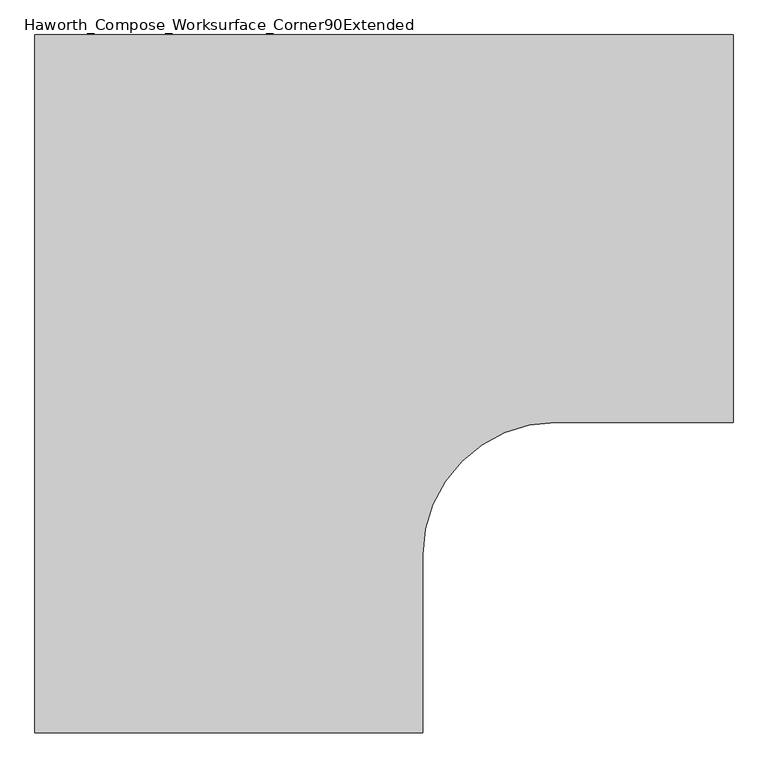
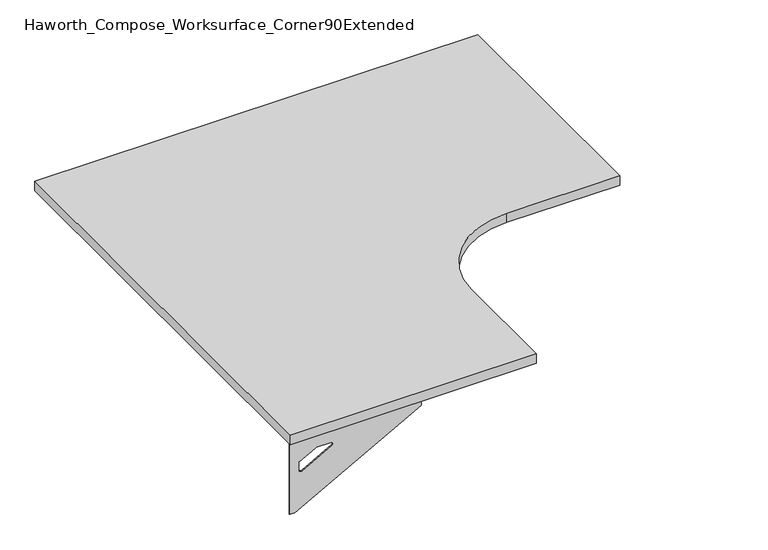
"""IFC4 building model written with IfcOpenShell, lengths in millimetres: furniture geometry, Haworth_Compose_Worksurface_Corner90Extended."""

from ifc_helpers import new_model, si_unit, point, frame, frame_2d, origin, place, context, project, spatial, polyline, circle_curve, trimmed, segment, composite_curve, outline, extrude, source, transform, mapped, element, save
from ifc_brep_helpers import plane_surface, revolved_surface, advanced_brep


def haworth_compose_worksurface_corner90extended_7eba6eae(model_context):
    return source(origin(), model_context, "Body", "SolidModel", [
        advanced_brep(
        [(832.64375, 228.6, 475.45625), (832.64375, 212.725, 475.45625), (832.64375, -177.8, 691.7192568), (832.64375, -177.8, 704.05625), (832.64375, 212.725, 704.05625), (832.64375, 228.6, 704.05625), (832.64375, 145.290072, 665.95625), (832.64375, 101.6355284, 665.95625), (832.64375, 98.9564235, 656.3705539), (832.64375, 190.6776173, 605.5776439), (832.64375, 200.025, 611.1756969), (832.64375, 200.025, 634.6860246), (832.64375, 198.2730055, 637.5242776), (832.64375, 148.3663437, 665.1613425), (835.025, 228.6, 475.45625), (835.025, 228.6, 704.05625), (835.025, 212.725, 704.05625), (835.025, 212.725, 706.4375), (835.025, -177.8, 706.4375), (835.025, -177.8, 691.7192568), (835.025, 212.725, 475.45625), (835.025, 145.290072, 665.95625), (835.025, 148.3663437, 665.1613425), (835.025, 198.2730055, 637.5242776), (835.025, 200.025, 634.6860246), (835.025, 200.025, 611.1756969), (835.025, 190.6776173, 605.5776439), (835.025, 98.9564235, 656.3705539), (835.025, 101.6355284, 665.95625), (793.75, -177.8, 706.4375), (793.75, -177.8, 704.05625), (793.75, 212.725, 704.05625), (793.75, 212.725, 706.4375)],
        [
            (0, 1),
            (1, 2),
            (2, 3),
            (3, 4),
            (4, 5),
            (5, 0),
            (6, 7),
            (7, 8, circle_curve(frame((832.64375, 101.6355284, 660.7890106), z_axis=(1.0, 0.0, 0.0), x_axis=(0.0, -1.0, 0.0)), 5.1672394)),
            (8, 9),
            (9, 10, circle_curve(frame((832.64375, 193.675, 611.1756969), z_axis=(1.0, 0.0, 0.0), x_axis=(0.0, -1.0, 0.0)), 6.35)),
            (10, 11),
            (11, 12, circle_curve(frame((832.64375, 196.85, 634.6860246), z_axis=(1.0, 0.0, 0.0), x_axis=(0.0, -1.0, 0.0)), 3.175)),
            (12, 13),
            (13, 6, circle_curve(frame((832.64375, 145.290072, 659.60625), z_axis=(1.0, 0.0, 0.0), x_axis=(0.0, -1.0, 0.0)), 6.35)),
            (14, 15),
            (15, 16),
            (16, 17),
            (17, 18),
            (18, 19),
            (19, 20),
            (20, 14),
            (21, 22, circle_curve(frame((835.025, 145.290072, 659.60625), z_axis=(-1.0, 0.0, 0.0), x_axis=(0.0, -1.0, 0.0)), 6.35)),
            (22, 23),
            (23, 24, circle_curve(frame((835.025, 196.85, 634.6860246), z_axis=(-1.0, 0.0, 0.0), x_axis=(0.0, -1.0, 0.0)), 3.175)),
            (24, 25),
            (25, 26, circle_curve(frame((835.025, 193.675, 611.1756969), z_axis=(-1.0, 0.0, 0.0), x_axis=(0.0, -1.0, 0.0)), 6.35)),
            (26, 27),
            (27, 28, circle_curve(frame((835.025, 101.6355284, 660.7890106), z_axis=(-1.0, 0.0, 0.0), x_axis=(0.0, -1.0, 0.0)), 5.1672394)),
            (28, 21),
            (4, 16),
            (15, 5),
            (14, 0),
            (20, 1),
            (19, 2),
            (18, 29),
            (29, 30),
            (30, 3),
            (6, 21),
            (28, 7),
            (9, 26),
            (25, 10),
            (24, 11),
            (23, 12),
            (27, 8),
            (31, 4),
            (30, 31),
            (32, 29),
            (17, 32),
            (31, 32),
            (22, 13),
        ],
        [
            plane_surface(frame((832.64375, 228.6, 475.45625), z_axis=(-1.0, 0.0, 0.0), x_axis=(0.0, 1.0, 0.0))),
            plane_surface(frame((835.025, 228.6, 475.45625), z_axis=(1.0, 0.0, 0.0), x_axis=(0.0, -1.0, 0.0))),
            plane_surface(frame((835.025, -177.8, 704.05625), z_axis=(0.0, 0.0, 1.0), x_axis=(-1.0, 0.0, 0.0))),
            plane_surface(frame((835.025, 228.6, 704.05625), z_axis=(0.0, 1.0, 0.0), x_axis=(-1.0, 0.0, 0.0))),
            plane_surface(frame((835.025, 228.6, 475.45625), z_axis=(0.0, 0.0, -1.0), x_axis=(-1.0, 0.0, 0.0))),
            plane_surface(frame((835.025, 212.725, 475.45625), z_axis=(0.0, -0.4844522351345575, -0.8748177135112957), x_axis=(-1.0, 0.0, 0.0))),
            plane_surface(frame((835.025, -177.8, 691.7192568), z_axis=(0.0, -1.0, 0.0), x_axis=(-1.0, 0.0, 0.0))),
            plane_surface(frame((835.025, 145.290072, 665.95625), z_axis=(0.0, 0.0, -1.0), x_axis=(-1.0, 0.0, 0.0))),
            revolved_surface(polyline([(832.64375, 187.32500000000002, 611.1756969), (835.025, 187.32500000000002, 611.1756969)]), (835.025, 193.675, 611.1756969), (-1.0, 0.0, 0.0)),
            plane_surface(frame((835.025, 200.025, 611.1756969), z_axis=(0.0, -1.0, 0.0), x_axis=(-1.0, 0.0, 0.0))),
            revolved_surface(polyline([(832.64375, 193.67499999999998, 634.6860246), (835.025, 193.67499999999998, 634.6860246)]), (835.025, 196.85, 634.6860246), (-1.0, 0.0, 0.0)),
            revolved_surface(polyline([(832.64375, 96.468289, 660.7890106), (835.025, 96.468289, 660.7890106)]), (835.025, 101.6355284, 660.7890106), (-1.0, 0.0, 0.0)),
            plane_surface(frame((835.025, 212.725, 704.05625), z_axis=(0.0, 0.0, -1.0), x_axis=(-1.0, 0.0, 0.0))),
            plane_surface(frame((835.025, 212.725, 706.4375), z_axis=(0.0, 0.0, 1.0), x_axis=(1.0, 0.0, 0.0))),
            plane_surface(frame((793.75, 212.725, 706.4375), z_axis=(0.0, 1.0, 0.0), x_axis=(0.0, 0.0, -1.0))),
            plane_surface(frame((793.75, -177.8, 706.4375), z_axis=(-1.0, 0.0, 0.0), x_axis=(0.0, 0.0, -1.0))),
            plane_surface(frame((835.025, 98.9564235, 656.3705539), z_axis=(0.0, 0.4844522351341526, 0.8748177135115199), x_axis=(-1.0, 0.0, 0.0))),
            plane_surface(frame((835.025, 198.2730055, 637.5242776), z_axis=(0.0, -0.48445223513456226, -0.874817713511293), x_axis=(-1.0, 0.0, 0.0))),
            revolved_surface(polyline([(832.64375, 138.94007200000001, 659.60625), (835.025, 138.94007200000001, 659.60625)]), (835.025, 145.290072, 659.60625), (-1.0, 0.0, 0.0)),
        ],
        [
            (0, [[1, 2, 3, 4, 5, 6], [7, 8, 9, 10, 11, 12, 13, 14]]),
            (1, [[15, 16, 17, 18, 19, 20, 21], [22, 23, 24, 25, 26, 27, 28, 29]]),
            (2, [[-5, 30, -16, 31]]),
            (3, [[-31, -15, 32, -6]]),
            (4, [[-32, -21, 33, -1]]),
            (5, [[-33, -20, 34, -2]]),
            (6, [[-34, -19, 35, 36, 37, -3]]),
            (7, [[38, -29, 39, -7]]),
            (8, [[40, -26, 41, -10]]),
            (9, [[-41, -25, 42, -11]]),
            (10, [[-42, -24, 43, -12]]),
            (11, [[-39, -28, 44, -8]]),
            (12, [[45, -4, -37, 46]]),
            (13, [[47, -35, -18, 48]]),
            (14, [[-17, -30, -45, 49, -48]]),
            (15, [[-36, -47, -49, -46]]),
            (16, [[-44, -27, -40, -9]]),
            (17, [[-43, -23, 50, -13]]),
            (18, [[-50, -22, -38, -14]]),
        ],
    ),
        advanced_brep(
        [(-533.4, -1137.44375, 475.45625), (-533.4, -1137.44375, 704.05625), (-517.525, -1137.44375, 704.05625), (-127.0, -1137.44375, 704.05625), (-127.0, -1137.44375, 691.7192568), (-517.525, -1137.44375, 475.45625), (-450.090072, -1137.44375, 665.95625), (-453.1663437, -1137.44375, 665.1613425), (-503.0730055, -1137.44375, 637.5242776), (-504.825, -1137.44375, 634.6860246), (-504.825, -1137.44375, 611.1756969), (-495.4776173, -1137.44375, 605.5776439), (-403.7564235, -1137.44375, 656.3705539), (-406.4355284, -1137.44375, 665.95625), (-533.4, -1139.825, 475.45625), (-517.525, -1139.825, 475.45625), (-127.0, -1139.825, 691.7192568), (-127.0, -1139.825, 706.4375), (-517.525, -1139.825, 706.4375), (-517.525, -1139.825, 704.05625), (-533.4, -1139.825, 704.05625), (-450.090072, -1139.825, 665.95625), (-406.4355284, -1139.825, 665.95625), (-403.7564235, -1139.825, 656.3705539), (-495.4776173, -1139.825, 605.5776439), (-504.825, -1139.825, 611.1756969), (-504.825, -1139.825, 634.6860246), (-503.0730055, -1139.825, 637.5242776), (-453.1663437, -1139.825, 665.1613425), (-127.0, -1098.55, 704.05625), (-127.0, -1098.55, 706.4375), (-517.525, -1098.55, 704.05625), (-517.525, -1098.55, 706.4375)],
        [
            (0, 1),
            (1, 2),
            (2, 3),
            (3, 4),
            (4, 5),
            (5, 0),
            (6, 7, circle_curve(frame((-450.090072, -1137.44375, 659.60625), z_axis=(0.0, -1.0, 0.0), x_axis=(1.0, 0.0, 0.0)), 6.35)),
            (7, 8),
            (8, 9, circle_curve(frame((-501.65, -1137.44375, 634.6860246), z_axis=(0.0, -1.0, 0.0), x_axis=(1.0, 0.0, 0.0)), 3.175)),
            (9, 10),
            (10, 11, circle_curve(frame((-498.475, -1137.44375, 611.1756969), z_axis=(0.0, -1.0, 0.0), x_axis=(1.0, 0.0, 0.0)), 6.35)),
            (11, 12),
            (12, 13, circle_curve(frame((-406.4355284, -1137.44375, 660.7890106), z_axis=(0.0, -1.0, 0.0), x_axis=(1.0, 0.0, 0.0)), 5.1672394)),
            (13, 6),
            (14, 15),
            (15, 16),
            (16, 17),
            (17, 18),
            (18, 19),
            (19, 20),
            (20, 14),
            (21, 22),
            (22, 23, circle_curve(frame((-406.4355284, -1139.825, 660.7890106), z_axis=(0.0, 1.0, 0.0), x_axis=(1.0, 0.0, 0.0)), 5.1672394)),
            (23, 24),
            (24, 25, circle_curve(frame((-498.475, -1139.825, 611.1756969), z_axis=(0.0, 1.0, 0.0), x_axis=(1.0, 0.0, 0.0)), 6.35)),
            (25, 26),
            (26, 27, circle_curve(frame((-501.65, -1139.825, 634.6860246), z_axis=(0.0, 1.0, 0.0), x_axis=(1.0, 0.0, 0.0)), 3.175)),
            (27, 28),
            (28, 21, circle_curve(frame((-450.090072, -1139.825, 659.60625), z_axis=(0.0, 1.0, 0.0), x_axis=(1.0, 0.0, 0.0)), 6.35)),
            (1, 20),
            (19, 2),
            (0, 14),
            (5, 15),
            (4, 16),
            (3, 29),
            (29, 30),
            (30, 17),
            (13, 22),
            (21, 6),
            (10, 25),
            (24, 11),
            (9, 26),
            (8, 27),
            (12, 23),
            (31, 29),
            (2, 31),
            (32, 18),
            (30, 32),
            (32, 31),
            (7, 28),
        ],
        [
            plane_surface(frame((-533.4, -1137.44375, 475.45625), z_axis=(0.0, 1.0, 0.0), x_axis=(-1.0, 0.0, 0.0))),
            plane_surface(frame((-533.4, -1139.825, 475.45625), z_axis=(0.0, -1.0, 0.0), x_axis=(1.0, 0.0, 0.0))),
            plane_surface(frame((-127.0, -1139.825, 704.05625), z_axis=(0.0, 0.0, 1.0), x_axis=(0.0, 1.0, 0.0))),
            plane_surface(frame((-533.4, -1139.825, 704.05625), z_axis=(-1.0, 0.0, 0.0), x_axis=(0.0, 1.0, 0.0))),
            plane_surface(frame((-533.4, -1139.825, 475.45625), z_axis=(0.0, 0.0, -1.0), x_axis=(0.0, 1.0, 0.0))),
            plane_surface(frame((-517.525, -1139.825, 475.45625), z_axis=(0.4844522351345575, 0.0, -0.8748177135112957), x_axis=(0.0, 1.0, 0.0))),
            plane_surface(frame((-127.0, -1139.825, 691.7192568), z_axis=(1.0, 0.0, 0.0), x_axis=(0.0, 1.0, 0.0))),
            plane_surface(frame((-450.090072, -1139.825, 665.95625), z_axis=(0.0, 0.0, -1.0), x_axis=(0.0, 1.0, 0.0))),
            revolved_surface(polyline([(-492.125, -1137.44375, 611.1756969), (-492.125, -1139.825, 611.1756969)]), (-498.475, -1139.825, 611.1756969), (0.0, 1.0, 0.0)),
            plane_surface(frame((-504.825, -1139.825, 611.1756969), z_axis=(1.0, 0.0, 0.0), x_axis=(0.0, 1.0, 0.0))),
            revolved_surface(polyline([(-498.47499999999997, -1137.44375, 634.6860246), (-498.47499999999997, -1139.825, 634.6860246)]), (-501.65, -1139.825, 634.6860246), (0.0, 1.0, 0.0)),
            revolved_surface(polyline([(-401.268289, -1137.44375, 660.7890106), (-401.268289, -1139.825, 660.7890106)]), (-406.4355284, -1139.825, 660.7890106), (0.0, 1.0, 0.0)),
            plane_surface(frame((-517.525, -1139.825, 704.05625), z_axis=(0.0, 0.0, -1.0), x_axis=(0.0, 1.0, 0.0))),
            plane_surface(frame((-517.525, -1139.825, 706.4375), z_axis=(0.0, 0.0, 1.0), x_axis=(0.0, -1.0, 0.0))),
            plane_surface(frame((-517.525, -1098.55, 706.4375), z_axis=(-1.0, 0.0, 0.0), x_axis=(0.0, 0.0, -1.0))),
            plane_surface(frame((-127.0, -1098.55, 706.4375), z_axis=(0.0, 1.0, 0.0), x_axis=(0.0, 0.0, -1.0))),
            plane_surface(frame((-403.7564235, -1139.825, 656.3705539), z_axis=(-0.4844522351341526, 0.0, 0.8748177135115199), x_axis=(0.0, 1.0, 0.0))),
            plane_surface(frame((-503.0730055, -1139.825, 637.5242776), z_axis=(0.48445223513456226, 0.0, -0.874817713511293), x_axis=(0.0, 1.0, 0.0))),
            revolved_surface(polyline([(-443.740072, -1137.44375, 659.60625), (-443.740072, -1139.825, 659.60625)]), (-450.090072, -1139.825, 659.60625), (0.0, 1.0, 0.0)),
        ],
        [
            (0, [[1, 2, 3, 4, 5, 6], [7, 8, 9, 10, 11, 12, 13, 14]]),
            (1, [[15, 16, 17, 18, 19, 20, 21], [22, 23, 24, 25, 26, 27, 28, 29]]),
            (2, [[30, -20, 31, -2]]),
            (3, [[-1, 32, -21, -30]]),
            (4, [[-6, 33, -15, -32]]),
            (5, [[-5, 34, -16, -33]]),
            (6, [[-4, 35, 36, 37, -17, -34]]),
            (7, [[-14, 38, -22, 39]]),
            (8, [[-11, 40, -25, 41]]),
            (9, [[-10, 42, -26, -40]]),
            (10, [[-9, 43, -27, -42]]),
            (11, [[-13, 44, -23, -38]]),
            (12, [[45, -35, -3, 46]]),
            (13, [[47, -18, -37, 48]]),
            (14, [[-47, 49, -46, -31, -19]]),
            (15, [[-45, -49, -48, -36]]),
            (16, [[-12, -41, -24, -44]]),
            (17, [[-8, 50, -28, -43]]),
            (18, [[-7, -39, -29, -50]]),
        ],
    ),
        extrude(outline(composite_curve([segment(polyline([(-533.4, 228.6), (838.2, 228.6), (838.2, -533.4), (488.95, -533.4)]), True, "CONTINUOUS"), segment(trimmed(circle_curve(frame_2d((488.95, -793.75)), 260.35), [point((488.95, -533.4))], [point((228.6, -793.75))], True, "CARTESIAN"), True, "CONTINUOUS"), segment(polyline([(228.6, -793.75), (228.6, -1143.0), (-533.4, -1143.0), (-533.4, 228.6)]), True, "CONTINUOUS")], self_intersect=False)), frame((0.0, 0.0, 706.4375), z_axis=(0.0, 0.0, 1.0), x_axis=(1.0, 0.0, 0.0)), (0.0, 0.0, 1.0), 30.1625),
    ])


if __name__ == "__main__":
    model = new_model("IFC4")
    model_context = context("Model", 3, world=origin())
    ifc_project = project(units=[si_unit("LENGTHUNIT", "METRE", prefix="MILLI")], contexts=[model_context])
    site = spatial("IfcSite", under=ifc_project)
    building = spatial("IfcBuilding", under=site)
    placement = place(None, origin())
    haworth_compose_worksurface_corner90extended_shape = haworth_compose_worksurface_corner90extended_7eba6eae(model_context)
    element("IfcFurniture", 1, ObjectType="Haworth_Compose_Worksurface_Corner90Extended", at=placement, inside=building, context=model_context, shape_type="MappedRepresentation", body=[
        mapped(haworth_compose_worksurface_corner90extended_shape, transform((0.0, 0.0, 0.0), x_axis=(1.0, 0.0, 0.0), y_axis=(0.0, 1.0, 0.0), z_axis=(0.0, 0.0, 1.0))),
    ])
    save(model, "model.ifc")
